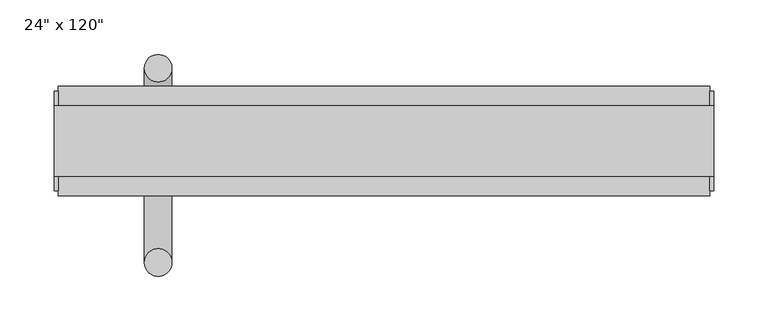
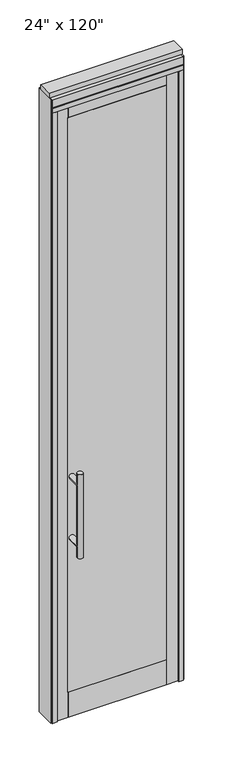
"""IFC4 building model written with IfcOpenShell, lengths in millimetres: furniture geometry."""

from ifc_helpers import new_model, si_unit, frame, origin, origin_with_axes, place, context, project, spatial, polyline, circle_curve, ellipse_curve, outline, extrude, source, transform, mapped, element, save
from ifc_brep_helpers import plane_surface, cylinder_surface, advanced_brep


def furniture_4df8b52c(model_context):
    return source(origin(), model_context, "Body", "SolidModel", [
        extrude(outline(polyline([(165.2614771, -48.9677216), (-285.3345229, -48.9677216), (-285.3345229, -38.8077216), (165.2614771, -38.8077216), (165.2614771, -48.9677216)])), frame((0.0, 0.0, 120.65), z_axis=(0.0, 0.0, 1.0), x_axis=(1.0, 0.0, 0.0)), (0.0, 0.0, 1.0), 2787.65),
        extrude(outline(polyline([(165.2614771, -14.6777216), (-285.3345229, -14.6777216), (-285.3345229, -4.5177216), (165.2614771, -4.5177216), (165.2614771, -14.6777216)])), frame((0.0, 0.0, 120.65), z_axis=(0.0, 0.0, 1.0), x_axis=(1.0, 0.0, 0.0)), (0.0, 0.0, 1.0), 2787.65),
        advanced_brep(
        [(-281.3975229, 63.0462784, 1219.2), (-255.9975229, 63.0462784, 1219.2), (-281.3975229, 63.0462784, 812.8), (-255.9975229, 63.0462784, 812.8), (-255.9975229, 63.0462784, 1164.336), (-255.9975229, 63.0462784, 867.664), (-281.3975229, 63.0462784, 867.664), (-281.3975229, 63.0462784, 1164.336), (-281.3975229, -4.5177216, 1164.336), (-255.9975229, -4.5177216, 1164.336), (-281.3975229, -4.5177216, 867.664), (-255.9975229, -4.5177216, 867.664)],
        [
            (0, 1, circle_curve(frame((-268.6975229, 63.0462784, 1219.2), z_axis=(0.0, 0.0, 1.0), x_axis=(1.0, 0.0, 0.0)), 12.7)),
            (1, 0, circle_curve(frame((-268.6975229, 63.0462784, 1219.2), z_axis=(0.0, 0.0, 1.0), x_axis=(1.0, 0.0, 0.0)), 12.7)),
            (2, 3, circle_curve(frame((-268.6975229, 63.0462784, 812.8), z_axis=(0.0, 0.0, -1.0), x_axis=(1.0, 0.0, 0.0)), 12.7)),
            (3, 2, circle_curve(frame((-268.6975229, 63.0462784, 812.8), z_axis=(0.0, 0.0, -1.0), x_axis=(1.0, 0.0, 0.0)), 12.7)),
            (1, 4),
            (4, 5),
            (5, 3),
            (2, 6),
            (6, 7),
            (7, 0),
            (6, 5, ellipse_curve(frame((-268.6975229, 63.0462784, 867.664), z_axis=(0.0, 0.707106781186565, 0.70710678118653), x_axis=(0.0, -0.70710678118653, 0.707106781186565)), 17.9605122, 12.7)),
            (4, 7, ellipse_curve(frame((-268.6975229, 63.0462784, 1164.336), z_axis=(0.0, 0.70710678118653, -0.7071067811865649), x_axis=(0.0, 0.7071067811865648, 0.7071067811865301)), 17.9605122, 12.7)),
            (7, 4, ellipse_curve(frame((-268.6975229, 63.0462784, 1164.336), z_axis=(0.0, 0.707106781186565, 0.70710678118653), x_axis=(0.0, -0.70710678118653, 0.707106781186565)), 17.9605122, 12.7)),
            (5, 6, ellipse_curve(frame((-268.6975229, 63.0462784, 867.664), z_axis=(0.0, 0.70710678118653, -0.7071067811865649), x_axis=(0.0, 0.7071067811865648, 0.7071067811865301)), 17.9605122, 12.7)),
            (8, 9, circle_curve(frame((-268.6975229, -4.5177216, 1164.336), z_axis=(0.0, -1.0, 0.0), x_axis=(1.0, 0.0, 0.0)), 12.7)),
            (9, 8, circle_curve(frame((-268.6975229, -4.5177216, 1164.336), z_axis=(0.0, -1.0, 0.0), x_axis=(1.0, 0.0, 0.0)), 12.7)),
            (8, 7),
            (4, 9),
            (10, 11, circle_curve(frame((-268.6975229, -4.5177216, 867.664), z_axis=(0.0, -1.0, 0.0), x_axis=(1.0, 0.0, 0.0)), 12.7)),
            (11, 10, circle_curve(frame((-268.6975229, -4.5177216, 867.664), z_axis=(0.0, -1.0, 0.0), x_axis=(1.0, 0.0, 0.0)), 12.7)),
            (10, 6),
            (5, 11),
        ],
        [
            plane_surface(frame((-255.9975229, 63.0462784, 1219.2), z_axis=(0.0, 0.0, 1.0), x_axis=(0.0, -1.0, 0.0))),
            plane_surface(frame((-255.9975229, 63.0462784, 812.8), z_axis=(0.0, 0.0, -1.0), x_axis=(0.0, 1.0, 0.0))),
            cylinder_surface(frame((-268.6975229, 63.0462784, 812.8), z_axis=(0.0, 0.0, 1.0), x_axis=(1.0, 0.0, 0.0)), 12.7),
            plane_surface(frame((-255.9975229, -4.5177216, 1164.336), z_axis=(0.0, -1.0, 0.0), x_axis=(0.0, 0.0, -1.0))),
            cylinder_surface(frame((-268.6975229, -4.5177216, 1164.336), z_axis=(0.0, 1.0, 0.0), x_axis=(1.0, 0.0, 0.0)), 12.7),
            plane_surface(frame((-255.9975229, -4.5177216, 867.664), z_axis=(0.0, -1.0, 0.0), x_axis=(0.0, 0.0, -1.0))),
            cylinder_surface(frame((-268.6975229, -4.5177216, 867.664), z_axis=(0.0, 1.0, 0.0), x_axis=(1.0, 0.0, 0.0)), 12.7),
        ],
        [
            (0, [[1, 2]]),
            (1, [[3, 4]]),
            (2, [[5, 6, 7, -3, 8, 9, 10, -2]]),
            (2, [[-9, 11, -6, 12]]),
            (2, [[-10, 13, -5, -1]]),
            (2, [[-7, 14, -8, -4]]),
            (3, [[15, 16]]),
            (4, [[17, -12, 18, -15]]),
            (4, [[-18, -13, -17, -16]]),
            (5, [[19, 20]]),
            (6, [[21, -14, 22, -19]]),
            (6, [[-22, -11, -21, -20]]),
        ],
    ),
        advanced_brep(
        [(-281.3975229, -116.5317216, 1219.2), (-255.9975229, -116.5317216, 1219.2), (-281.3975229, -116.5317216, 812.8), (-255.9975229, -116.5317216, 812.8), (-281.3975229, -116.5317216, 1164.336), (-281.3975229, -116.5317216, 867.664), (-255.9975229, -116.5317216, 867.664), (-255.9975229, -116.5317216, 1164.336), (-281.3975229, -48.9677216, 1164.336), (-255.9975229, -48.9677216, 1164.336), (-281.3975229, -48.9677216, 867.664), (-255.9975229, -48.9677216, 867.664)],
        [
            (0, 1, circle_curve(frame((-268.6975229, -116.5317216, 1219.2), z_axis=(0.0, 0.0, 1.0), x_axis=(1.0, 0.0, 0.0)), 12.7)),
            (1, 0, circle_curve(frame((-268.6975229, -116.5317216, 1219.2), z_axis=(0.0, 0.0, 1.0), x_axis=(1.0, 0.0, 0.0)), 12.7)),
            (2, 3, circle_curve(frame((-268.6975229, -116.5317216, 812.8), z_axis=(0.0, 0.0, -1.0), x_axis=(1.0, 0.0, 0.0)), 12.7)),
            (3, 2, circle_curve(frame((-268.6975229, -116.5317216, 812.8), z_axis=(0.0, 0.0, -1.0), x_axis=(1.0, 0.0, 0.0)), 12.7)),
            (0, 4),
            (4, 5),
            (5, 2),
            (3, 6),
            (6, 7),
            (7, 1),
            (7, 4, ellipse_curve(frame((-268.6975229, -116.5317216, 1164.336), z_axis=(0.0, -0.707106781186565, 0.70710678118653), x_axis=(0.0, 0.70710678118653, 0.707106781186565)), 17.9605122, 12.7)),
            (5, 6, ellipse_curve(frame((-268.6975229, -116.5317216, 867.664), z_axis=(0.0, -0.70710678118653, -0.7071067811865649), x_axis=(0.0, -0.7071067811865648, 0.7071067811865301)), 17.9605122, 12.7)),
            (4, 7, ellipse_curve(frame((-268.6975229, -116.5317216, 1164.336), z_axis=(0.0, -0.70710678118653, -0.7071067811865649), x_axis=(0.0, -0.7071067811865648, 0.7071067811865301)), 17.9605122, 12.7)),
            (6, 5, ellipse_curve(frame((-268.6975229, -116.5317216, 867.664), z_axis=(0.0, -0.707106781186565, 0.70710678118653), x_axis=(0.0, 0.70710678118653, 0.707106781186565)), 17.9605122, 12.7)),
            (8, 9, circle_curve(frame((-268.6975229, -48.9677216, 1164.336), z_axis=(0.0, 1.0, 0.0), x_axis=(1.0, 0.0, 0.0)), 12.7)),
            (9, 8, circle_curve(frame((-268.6975229, -48.9677216, 1164.336), z_axis=(0.0, 1.0, 0.0), x_axis=(1.0, 0.0, 0.0)), 12.7)),
            (9, 7),
            (4, 8),
            (10, 11, circle_curve(frame((-268.6975229, -48.9677216, 867.664), z_axis=(0.0, 1.0, 0.0), x_axis=(1.0, 0.0, 0.0)), 12.7)),
            (11, 10, circle_curve(frame((-268.6975229, -48.9677216, 867.664), z_axis=(0.0, 1.0, 0.0), x_axis=(1.0, 0.0, 0.0)), 12.7)),
            (11, 6),
            (5, 10),
        ],
        [
            plane_surface(frame((-255.9975229, -116.5317216, 1219.2), z_axis=(0.0, 0.0, 1.0), x_axis=(0.0, 1.0, 0.0))),
            plane_surface(frame((-255.9975229, -116.5317216, 812.8), z_axis=(0.0, 0.0, -1.0), x_axis=(0.0, -1.0, 0.0))),
            cylinder_surface(frame((-268.6975229, -116.5317216, 812.8), z_axis=(0.0, 0.0, 1.0), x_axis=(1.0, 0.0, 0.0)), 12.7),
            plane_surface(frame((-255.9975229, -48.9677216, 1164.336), z_axis=(0.0, 1.0, 0.0), x_axis=(0.0, 0.0, -1.0))),
            cylinder_surface(frame((-268.6975229, -48.9677216, 1164.336), z_axis=(0.0, -1.0, 0.0), x_axis=(1.0, 0.0, 0.0)), 12.7),
            plane_surface(frame((-255.9975229, -48.9677216, 867.664), z_axis=(0.0, 1.0, 0.0), x_axis=(0.0, 0.0, -1.0))),
            cylinder_surface(frame((-268.6975229, -48.9677216, 867.664), z_axis=(0.0, -1.0, 0.0), x_axis=(1.0, 0.0, 0.0)), 12.7),
        ],
        [
            (0, [[1, 2]]),
            (1, [[3, 4]]),
            (2, [[-1, 5, 6, 7, -4, 8, 9, 10]]),
            (2, [[-2, -10, 11, -5]]),
            (2, [[-3, -7, 12, -8]]),
            (2, [[13, -9, 14, -6]]),
            (3, [[15, 16]]),
            (4, [[-16, 17, -13, 18]]),
            (4, [[-15, -18, -11, -17]]),
            (5, [[19, 20]]),
            (6, [[-20, 21, -12, 22]]),
            (6, [[-19, -22, -14, -21]]),
        ],
    ),
        extrude(outline(polyline([(165.7694771, -48.9677216), (-284.8265229, -48.9677216), (-284.8265229, -4.5177216), (165.7694771, -4.5177216), (165.7694771, -48.9677216)])), frame((0.0, 0.0, 2908.3), z_axis=(0.0, 0.0, 1.0), x_axis=(1.0, 0.0, 0.0)), (0.0, 0.0, 1.0), 50.8),
        extrude(outline(polyline([(165.7694771, -48.9677216), (-284.8265229, -48.9677216), (-284.8265229, -4.5177216), (165.7694771, -4.5177216), (165.7694771, -48.9677216)])), origin_with_axes(), (0.0, 0.0, 1.0), 120.65),
        extrude(outline(polyline([(-284.8265229, -48.9677216), (-338.6745229, -48.9677216), (-338.6745229, -4.5177216), (-284.8265229, -4.5177216), (-284.8265229, -48.9677216)])), origin_with_axes(), (0.0, 0.0, 1.0), 2959.1),
        extrude(outline(polyline([(218.6014771, -48.9677216), (165.7694771, -48.9677216), (165.7694771, -4.5177216), (218.6014771, -4.5177216), (218.6014771, -48.9677216)])), origin_with_axes(), (0.0, 0.0, 1.0), 2959.1),
        extrude(outline(polyline([(-360.8995229, 46.2822784), (-338.6745229, 46.2822784), (-338.6745229, 20.8822784), (-325.9745229, 20.8822784), (-325.9745229, -4.5177216), (-338.6745229, -4.5177216), (-338.6745229, -55.3177216), (-360.8995229, -55.3177216), (-360.8995229, 46.2822784)])), origin_with_axes(), (0.0, 0.0, 1.0), 2959.1),
        extrude(outline(polyline([(-360.8995229, -55.3177216), (-360.8995229, 46.2822784), (240.8264771, 46.2822784), (240.8264771, -55.3177216), (-360.8995229, -55.3177216)])), frame((0.0, 0.0, 2959.1), z_axis=(0.0, 0.0, 1.0), x_axis=(1.0, 0.0, 0.0)), (0.0, 0.0, 1.0), 22.225),
        extrude(outline(polyline([(244.7634771, -50.3647216), (240.8264771, -50.3647216), (240.8264771, 41.3292784), (244.7634771, 41.3292784), (244.7634771, -50.3647216)])), origin_with_axes(), (0.0, 0.0, 1.0), 3022.6),
        extrude(outline(polyline([(-364.8365229, -50.3647216), (-364.8365229, 41.3292784), (-360.8995229, 41.3292784), (-360.8995229, -50.3647216), (-364.8365229, -50.3647216)])), origin_with_axes(), (0.0, 0.0, 1.0), 3022.6),
        extrude(outline(polyline([(240.8264771, 46.2822784), (240.8264771, -55.3177216), (218.6014771, -55.3177216), (218.6014771, -4.5177216), (205.9014771, -4.5177216), (205.9014771, 20.8822784), (218.6014771, 20.8822784), (218.6014771, 46.2822784), (240.8264771, 46.2822784)])), origin_with_axes(), (0.0, 0.0, 1.0), 2959.1),
        extrude(outline(polyline([(-55.3177216, 2986.278), (-55.3177216, 3022.6), (46.2822784, 3022.6), (46.2822784, 2986.278), (41.3292784, 2986.278), (41.3292784, 2981.325), (-50.3647216, 2981.325), (-50.3647216, 2986.278), (-55.3177216, 2986.278)])), frame((-360.8995229, 0.0, 0.0), z_axis=(1.0, 0.0, 0.0), x_axis=(0.0, 1.0, 0.0)), (0.0, 0.0, 1.0), 601.726),
        extrude(outline(polyline([(-364.8365229, -37.0297216), (-364.8365229, 27.9942784), (244.7634771, 27.9942784), (244.7634771, -37.0297216), (-364.8365229, -37.0297216)])), frame((0.0, 0.0, 3022.6), z_axis=(0.0, 0.0, 1.0), x_axis=(1.0, 0.0, 0.0)), (0.0, 0.0, 1.0), 25.4),
    ])


if __name__ == "__main__":
    model = new_model("IFC4")
    model_context = context("Model", 3, world=origin())
    ifc_project = project(units=[si_unit("LENGTHUNIT", "METRE", prefix="MILLI")], contexts=[model_context])
    site = spatial("IfcSite", under=ifc_project)
    building = spatial("IfcBuilding", under=site)
    placement = place(None, origin())
    furniture_shape = furniture_4df8b52c(model_context)
    element("IfcFurniture", 1, ObjectType="24\" x 120\"", at=placement, inside=building, context=model_context, shape_type="MappedRepresentation", body=[
        mapped(furniture_shape, transform((0.0, 0.0, 0.0), x_axis=(1.0, 0.0, 0.0), y_axis=(0.0, 1.0, 0.0), z_axis=(0.0, 0.0, 1.0))),
    ])
    save(model, "model.ifc")
